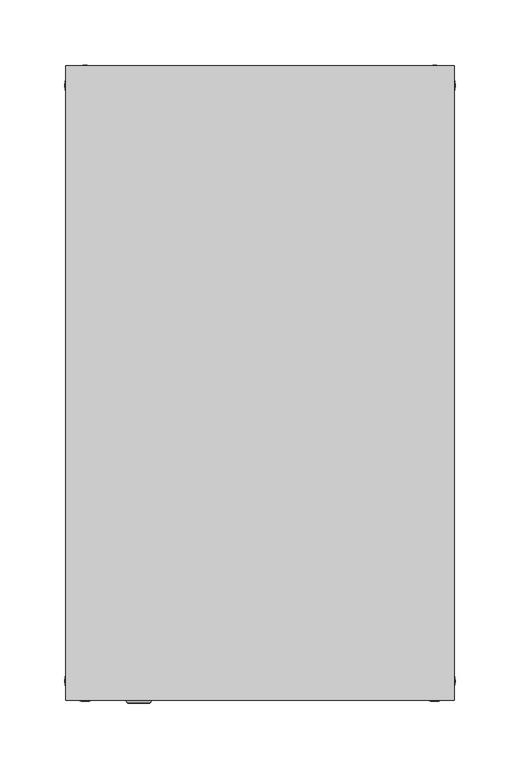
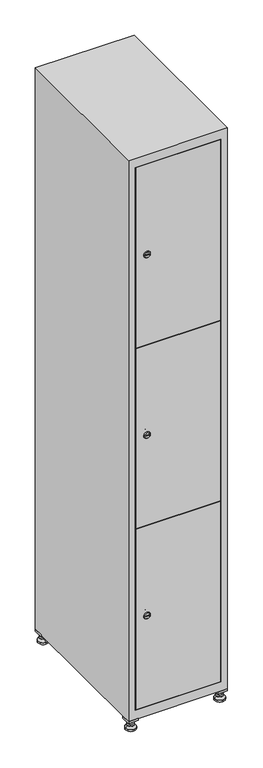
"""IFC4 building model written with IfcOpenShell, lengths in millimetres: furniture geometry."""

from ifc_helpers import new_model, si_unit, point, frame, frame_2d, origin, origin_with_axes, place, context, project, spatial, polyline, circle_curve, trimmed, segment, composite_curve, outline, extrude, faceted_brep, source, transform, mapped, element, save
from ifc_brep_helpers import plane_surface, revolved_surface, advanced_brep


def furniture_459e65b7(model_context):
    return source(origin(), model_context, "Body", "SolidModel", [
        extrude(outline(polyline([(100.0, 245.0), (100.0, 215.0), (70.0, 215.0), (70.0, 245.0), (100.0, 245.0)]), holes=[polyline([(98.0, 243.0), (72.0, 243.0), (72.0, 217.0), (98.0, 217.0), (98.0, 243.0)])]), frame((0.0, 0.0, 28.5), z_axis=(0.0, 0.0, 1.0), x_axis=(1.0, 0.0, 0.0)), (0.0, 0.0, 1.0), 6.5),
        extrude(outline(polyline([(70.0, -245.0), (70.0, -215.0), (100.0, -215.0), (100.0, -245.0), (70.0, -245.0)]), holes=[polyline([(72.0, -243.0), (98.0, -243.0), (98.0, -217.0), (72.0, -217.0), (72.0, -243.0)])]), frame((0.0, 0.0, 28.5), z_axis=(0.0, 0.0, 1.0), x_axis=(1.0, 0.0, 0.0)), (0.0, 0.0, 1.0), 6.5),
        extrude(outline(polyline([(-170.0, 245.0), (-170.0, 215.0), (-200.0, 215.0), (-200.0, 245.0), (-170.0, 245.0)]), holes=[polyline([(-172.0, 243.0), (-198.0, 243.0), (-198.0, 217.0), (-172.0, 217.0), (-172.0, 243.0)])]), frame((0.0, 0.0, 28.5), z_axis=(0.0, 0.0, 1.0), x_axis=(1.0, 0.0, 0.0)), (0.0, 0.0, 1.0), 6.5),
        extrude(outline(polyline([(-170.0, -215.0), (-170.0, -245.0), (-200.0, -245.0), (-200.0, -215.0), (-170.0, -215.0)]), holes=[polyline([(-198.0, -243.0), (-172.0, -243.0), (-172.0, -217.0), (-198.0, -217.0), (-198.0, -243.0)])]), frame((0.0, 0.0, 28.5), z_axis=(0.0, 0.0, 1.0), x_axis=(1.0, 0.0, 0.0)), (0.0, 0.0, 1.0), 6.5),
        extrude(outline(composite_curve([segment(trimmed(circle_curve(frame_2d((-185.0, 230.0)), 5.0), [point((-180.0, 230.0))], [point((-190.0, 230.0))], False, "CARTESIAN"), True, "CONTINUOUS"), segment(trimmed(circle_curve(frame_2d((-185.0, 230.0)), 5.0), [point((-190.0, 230.0))], [point((-180.0, 230.0))], False, "CARTESIAN"), True, "CONTINUOUS")], self_intersect=False)), frame((0.0, 0.0, 19.6), z_axis=(0.0, 0.0, 1.0), x_axis=(1.0, 0.0, 0.0)), (0.0, 0.0, 1.0), 15.4),
        extrude(outline(composite_curve([segment(trimmed(circle_curve(frame_2d((-185.0, -230.0)), 5.0), [point((-180.0, -230.0))], [point((-190.0, -230.0))], False, "CARTESIAN"), True, "CONTINUOUS"), segment(trimmed(circle_curve(frame_2d((-185.0, -230.0)), 5.0), [point((-190.0, -230.0))], [point((-180.0, -230.0))], False, "CARTESIAN"), True, "CONTINUOUS")], self_intersect=False)), frame((0.0, 0.0, 19.6), z_axis=(0.0, 0.0, 1.0), x_axis=(1.0, 0.0, 0.0)), (0.0, 0.0, 1.0), 15.4),
        extrude(outline(composite_curve([segment(trimmed(circle_curve(frame_2d((85.0, 230.0)), 5.0), [point((90.0, 230.0))], [point((80.0, 230.0))], False, "CARTESIAN"), True, "CONTINUOUS"), segment(trimmed(circle_curve(frame_2d((85.0, 230.0)), 5.0), [point((80.0, 230.0))], [point((90.0, 230.0))], False, "CARTESIAN"), True, "CONTINUOUS")], self_intersect=False)), frame((0.0, 0.0, 19.6), z_axis=(0.0, 0.0, 1.0), x_axis=(1.0, 0.0, 0.0)), (0.0, 0.0, 1.0), 15.4),
        extrude(outline(polyline([(73.4529946, 230.0), (79.2264973, 240.0), (90.7735027, 240.0), (96.5470054, 230.0), (90.7735027, 220.0), (79.2264973, 220.0), (73.4529946, 230.0)])), frame((0.0, 0.0, 13.6), z_axis=(0.0, 0.0, 1.0), x_axis=(1.0, 0.0, 0.0)), (0.0, 0.0, 1.0), 6.0),
        extrude(outline(composite_curve([segment(trimmed(circle_curve(frame_2d((85.0, -230.0)), 5.0), [point((90.0, -230.0))], [point((80.0, -230.0))], False, "CARTESIAN"), True, "CONTINUOUS"), segment(trimmed(circle_curve(frame_2d((85.0, -230.0)), 5.0), [point((80.0, -230.0))], [point((90.0, -230.0))], False, "CARTESIAN"), True, "CONTINUOUS")], self_intersect=False)), frame((0.0, 0.0, 19.6), z_axis=(0.0, 0.0, 1.0), x_axis=(1.0, 0.0, 0.0)), (0.0, 0.0, 1.0), 15.4),
        extrude(outline(polyline([(73.4529946, -230.0), (79.2264973, -220.0), (90.7735027, -220.0), (96.5470054, -230.0), (90.7735027, -240.0), (79.2264973, -240.0), (73.4529946, -230.0)])), frame((0.0, 0.0, 13.6), z_axis=(0.0, 0.0, 1.0), x_axis=(1.0, 0.0, 0.0)), (0.0, 0.0, 1.0), 6.0),
        extrude(outline(composite_curve([segment(trimmed(circle_curve(frame_2d((85.0, 230.0)), 5.0), [point((90.0, 230.0))], [point((80.0, 230.0))], False, "CARTESIAN"), True, "CONTINUOUS"), segment(trimmed(circle_curve(frame_2d((85.0, 230.0)), 5.0), [point((80.0, 230.0))], [point((90.0, 230.0))], False, "CARTESIAN"), True, "CONTINUOUS")], self_intersect=False)), frame((0.0, 0.0, 12.1), z_axis=(0.0, 0.0, 1.0), x_axis=(1.0, 0.0, 0.0)), (0.0, 0.0, 1.0), 1.5),
        extrude(outline(composite_curve([segment(trimmed(circle_curve(frame_2d((85.0, -230.0)), 5.0), [point((90.0, -230.0))], [point((80.0, -230.0))], False, "CARTESIAN"), True, "CONTINUOUS"), segment(trimmed(circle_curve(frame_2d((85.0, -230.0)), 5.0), [point((80.0, -230.0))], [point((90.0, -230.0))], False, "CARTESIAN"), True, "CONTINUOUS")], self_intersect=False)), frame((0.0, 0.0, 12.1), z_axis=(0.0, 0.0, 1.0), x_axis=(1.0, 0.0, 0.0)), (0.0, 0.0, 1.0), 1.5),
        extrude(outline(polyline([(-196.5470054, 230.0), (-190.7735027, 240.0), (-179.2264973, 240.0), (-173.4529946, 230.0), (-179.2264973, 220.0), (-190.7735027, 220.0), (-196.5470054, 230.0)])), frame((0.0, 0.0, 13.6), z_axis=(0.0, 0.0, 1.0), x_axis=(1.0, 0.0, 0.0)), (0.0, 0.0, 1.0), 6.0),
        extrude(outline(polyline([(-196.5470054, -230.0), (-190.7735027, -220.0), (-179.2264973, -220.0), (-173.4529946, -230.0), (-179.2264973, -240.0), (-190.7735027, -240.0), (-196.5470054, -230.0)])), frame((0.0, 0.0, 13.6), z_axis=(0.0, 0.0, 1.0), x_axis=(1.0, 0.0, 0.0)), (0.0, 0.0, 1.0), 6.0),
        extrude(outline(composite_curve([segment(trimmed(circle_curve(frame_2d((-185.0, 230.0)), 5.0), [point((-185.0, 235.0))], [point((-185.0, 225.0))], False, "CARTESIAN"), True, "CONTINUOUS"), segment(trimmed(circle_curve(frame_2d((-185.0, 230.0)), 5.0), [point((-185.0, 225.0))], [point((-185.0, 235.0))], False, "CARTESIAN"), True, "CONTINUOUS")], self_intersect=False)), frame((0.0, 0.0, 12.1), z_axis=(0.0, 0.0, 1.0), x_axis=(1.0, 0.0, 0.0)), (0.0, 0.0, 1.0), 1.5),
        extrude(outline(composite_curve([segment(trimmed(circle_curve(frame_2d((-185.0, -230.0)), 5.0), [point((-180.0, -230.0))], [point((-190.0, -230.0))], False, "CARTESIAN"), True, "CONTINUOUS"), segment(trimmed(circle_curve(frame_2d((-185.0, -230.0)), 5.0), [point((-190.0, -230.0))], [point((-180.0, -230.0))], False, "CARTESIAN"), True, "CONTINUOUS")], self_intersect=False)), frame((0.0, 0.0, 12.1), z_axis=(0.0, 0.0, 1.0), x_axis=(1.0, 0.0, 0.0)), (0.0, 0.0, 1.0), 1.5),
        extrude(outline(composite_curve([segment(trimmed(circle_curve(frame_2d((85.0, 230.0)), 15.75), [point((100.75, 230.0))], [point((69.25, 230.0))], False, "CARTESIAN"), True, "CONTINUOUS"), segment(trimmed(circle_curve(frame_2d((85.0, 230.0)), 15.75), [point((69.25, 230.0))], [point((100.75, 230.0))], False, "CARTESIAN"), True, "CONTINUOUS")], self_intersect=False)), origin_with_axes(), (0.0, 0.0, 1.0), 5.1),
        extrude(outline(composite_curve([segment(trimmed(circle_curve(frame_2d((85.0, -230.0)), 15.75), [point((85.0, -214.25))], [point((85.0, -245.75))], False, "CARTESIAN"), True, "CONTINUOUS"), segment(trimmed(circle_curve(frame_2d((85.0, -230.0)), 15.75), [point((85.0, -245.75))], [point((85.0, -214.25))], False, "CARTESIAN"), True, "CONTINUOUS")], self_intersect=False)), origin_with_axes(), (0.0, 0.0, 1.0), 5.1),
        extrude(outline(composite_curve([segment(trimmed(circle_curve(frame_2d((-185.0, -230.0)), 15.75), [point((-169.25, -230.0))], [point((-200.75, -230.0))], False, "CARTESIAN"), True, "CONTINUOUS"), segment(trimmed(circle_curve(frame_2d((-185.0, -230.0)), 15.75), [point((-200.75, -230.0))], [point((-169.25, -230.0))], False, "CARTESIAN"), True, "CONTINUOUS")], self_intersect=False)), origin_with_axes(), (0.0, 0.0, 1.0), 5.1),
        extrude(outline(composite_curve([segment(trimmed(circle_curve(frame_2d((-185.0, 230.0)), 15.75), [point((-169.25, 230.0))], [point((-200.75, 230.0))], False, "CARTESIAN"), True, "CONTINUOUS"), segment(trimmed(circle_curve(frame_2d((-185.0, 230.0)), 15.75), [point((-200.75, 230.0))], [point((-169.25, 230.0))], False, "CARTESIAN"), True, "CONTINUOUS")], self_intersect=False)), origin_with_axes(), (0.0, 0.0, 1.0), 5.1),
        advanced_brep(
        [(-185.0, 245.75, 5.1), (-185.0, 214.25, 5.1), (-185.0, 239.5, 12.1), (-185.0, 220.5, 12.1)],
        [
            (0, 1, circle_curve(frame((-185.0, 230.0, 5.1), z_axis=(0.0, 0.0, -1.0), x_axis=(0.0, 1.0, 0.0)), 15.75)),
            (1, 0, circle_curve(frame((-185.0, 230.0, 5.1), z_axis=(0.0, 0.0, -1.0), x_axis=(0.0, -1.0, 0.0)), 15.75)),
            (2, 3, circle_curve(frame((-185.0, 230.0, 12.1), z_axis=(0.0, 0.0, 1.0), x_axis=(0.0, -1.0, 0.0)), 9.5)),
            (3, 2, circle_curve(frame((-185.0, 230.0, 12.1), z_axis=(0.0, 0.0, 1.0), x_axis=(0.0, 1.0, 0.0)), 9.5)),
            (3, 1),
            (0, 2),
        ],
        [
            plane_surface(frame((-185.0, 230.0, 5.1), z_axis=(0.0, 0.0, -1.0), x_axis=(1.0, 0.0, 0.0))),
            plane_surface(frame((-185.0, 230.0, 12.1), z_axis=(0.0, 0.0, 1.0), x_axis=(1.0, 0.0, 0.0))),
            revolved_surface(polyline([(-185.0, 220.5, 12.099999999999998), (-185.0, 214.25, 5.099999999999998)]), (-185.0, 230.0, 22.74), (0.0, 0.0, -1.0)),
            revolved_surface(polyline([(-185.0, 239.5, 12.099999999999998), (-185.0, 245.75, 5.099999999999998)]), (-185.0, 230.0, 22.74), (0.0, 0.0, -1.0)),
        ],
        [
            (0, [[1, 2]]),
            (1, [[3, 4]]),
            (2, [[-4, 5, -1, 6]]),
            (3, [[-3, -6, -2, -5]]),
        ],
    ),
        advanced_brep(
        [(85.0, 245.75, 5.1), (85.0, 214.25, 5.1), (85.0, 239.5, 12.1), (85.0, 220.5, 12.1)],
        [
            (0, 1, circle_curve(frame((85.0, 230.0, 5.1), z_axis=(0.0, 0.0, -1.0), x_axis=(0.0, 1.0, 0.0)), 15.75)),
            (1, 0, circle_curve(frame((85.0, 230.0, 5.1), z_axis=(0.0, 0.0, -1.0), x_axis=(0.0, -1.0, 0.0)), 15.75)),
            (2, 3, circle_curve(frame((85.0, 230.0, 12.1), z_axis=(0.0, 0.0, 1.0), x_axis=(0.0, -1.0, 0.0)), 9.5)),
            (3, 2, circle_curve(frame((85.0, 230.0, 12.1), z_axis=(0.0, 0.0, 1.0), x_axis=(0.0, 1.0, 0.0)), 9.5)),
            (3, 1),
            (0, 2),
        ],
        [
            plane_surface(frame((85.0, 230.0, 5.1), z_axis=(0.0, 0.0, -1.0), x_axis=(1.0, 0.0, 0.0))),
            plane_surface(frame((85.0, 230.0, 12.1), z_axis=(0.0, 0.0, 1.0), x_axis=(1.0, 0.0, 0.0))),
            revolved_surface(polyline([(85.0, 220.5, 12.099999999999998), (85.0, 214.25, 5.099999999999998)]), (85.0, 230.0, 22.74), (0.0, 0.0, -1.0)),
            revolved_surface(polyline([(85.0, 239.5, 12.099999999999998), (85.0, 245.75, 5.099999999999998)]), (85.0, 230.0, 22.74), (0.0, 0.0, -1.0)),
        ],
        [
            (0, [[1, 2]]),
            (1, [[3, 4]]),
            (2, [[-4, 5, -1, 6]]),
            (3, [[-3, -6, -2, -5]]),
        ],
    ),
        advanced_brep(
        [(94.5, -230.0, 12.1), (75.5, -230.0, 12.1), (100.75, -230.0, 5.1), (69.25, -230.0, 5.1)],
        [
            (0, 1, circle_curve(frame((85.0, -230.0, 12.1), z_axis=(0.0, 0.0, 1.0), x_axis=(1.0, 0.0, 0.0)), 9.5)),
            (1, 0, circle_curve(frame((85.0, -230.0, 12.1), z_axis=(0.0, 0.0, 1.0), x_axis=(-1.0, 0.0, 0.0)), 9.5)),
            (2, 3, circle_curve(frame((85.0, -230.0, 5.1), z_axis=(0.0, 0.0, -1.0), x_axis=(-1.0, 0.0, 0.0)), 15.75)),
            (3, 2, circle_curve(frame((85.0, -230.0, 5.1), z_axis=(0.0, 0.0, -1.0), x_axis=(1.0, 0.0, 0.0)), 15.75)),
            (3, 1),
            (0, 2),
        ],
        [
            plane_surface(frame((85.0, -230.0, 12.1), z_axis=(0.0, 0.0, 1.0), x_axis=(0.0, 1.0, 0.0))),
            plane_surface(frame((85.0, -230.0, 5.1), z_axis=(0.0, 0.0, -1.0), x_axis=(0.0, 1.0, 0.0))),
            revolved_surface(polyline([(94.5, -230.0, 12.099999999999998), (100.75, -230.0, 5.099999999999998)]), (85.0, -230.0, 22.74), (0.0, 0.0, -1.0)),
            revolved_surface(polyline([(75.5, -230.0, 12.099999999999998), (69.25, -230.0, 5.099999999999998)]), (85.0, -230.0, 22.74), (0.0, 0.0, -1.0)),
        ],
        [
            (0, [[1, 2]]),
            (1, [[3, 4]]),
            (2, [[-4, 5, -1, 6]]),
            (3, [[-3, -6, -2, -5]]),
        ],
    ),
        advanced_brep(
        [(-175.5, -230.0, 12.1), (-194.5, -230.0, 12.1), (-169.25, -230.0, 5.1), (-200.75, -230.0, 5.1)],
        [
            (0, 1, circle_curve(frame((-185.0, -230.0, 12.1), z_axis=(0.0, 0.0, 1.0), x_axis=(1.0, 0.0, 0.0)), 9.5)),
            (1, 0, circle_curve(frame((-185.0, -230.0, 12.1), z_axis=(0.0, 0.0, 1.0), x_axis=(-1.0, 0.0, 0.0)), 9.5)),
            (2, 3, circle_curve(frame((-185.0, -230.0, 5.1), z_axis=(0.0, 0.0, -1.0), x_axis=(-1.0, 0.0, 0.0)), 15.75)),
            (3, 2, circle_curve(frame((-185.0, -230.0, 5.1), z_axis=(0.0, 0.0, -1.0), x_axis=(1.0, 0.0, 0.0)), 15.75)),
            (3, 1),
            (0, 2),
        ],
        [
            plane_surface(frame((-185.0, -230.0, 12.1), z_axis=(0.0, 0.0, 1.0), x_axis=(0.0, 1.0, 0.0))),
            plane_surface(frame((-185.0, -230.0, 5.1), z_axis=(0.0, 0.0, -1.0), x_axis=(0.0, 1.0, 0.0))),
            revolved_surface(polyline([(-175.5, -230.0, 12.099999999999998), (-169.25, -230.0, 5.099999999999998)]), (-185.0, -230.0, 22.74), (0.0, 0.0, -1.0)),
            revolved_surface(polyline([(-194.5, -230.0, 12.099999999999998), (-200.75, -230.0, 5.099999999999998)]), (-185.0, -230.0, 22.74), (0.0, 0.0, -1.0)),
        ],
        [
            (0, [[1, 2]]),
            (1, [[3, 4]]),
            (2, [[-4, 5, -1, 6]]),
            (3, [[-3, -6, -2, -5]]),
        ],
    ),
        extrude(outline(composite_curve([segment(trimmed(circle_curve(frame_2d((355.8, -170.3989466)), 7.0), [point((362.8, -170.3989466))], [point((348.8, -170.3989466))], False, "CARTESIAN"), True, "CONTINUOUS"), segment(polyline([(348.8, -170.3989466), (348.8, -142.3989466)]), True, "CONTINUOUS"), segment(trimmed(circle_curve(frame_2d((355.8, -142.3989466)), 7.0), [point((348.8, -142.3989466))], [point((362.8, -142.3989466))], False, "CARTESIAN"), True, "CONTINUOUS"), segment(polyline([(362.8, -142.3989466), (362.8, -170.3989466)]), True, "CONTINUOUS")], self_intersect=False)), frame((0.0, -227.0, 0.0), z_axis=(0.0, 1.0, 0.0), x_axis=(0.0, 0.0, 1.0)), (0.0, 0.0, 1.0), 2.0),
        advanced_brep(
        [(-135.1, -247.2, 355.8), (-152.1, -247.2, 355.8), (-148.6, -247.2, 354.55), (-148.6, -247.2, 357.05), (-138.6, -247.2, 357.05), (-138.6, -247.2, 354.55), (-133.1, -245.0, 355.8), (-154.1, -245.0, 355.8), (-148.6, -245.0, 357.05), (-148.6, -245.0, 354.55), (-138.6, -245.0, 354.55), (-138.6, -245.0, 357.05)],
        [
            (0, 1, circle_curve(frame((-143.6, -247.2, 355.8), z_axis=(0.0, -1.0, 0.0), x_axis=(1.0, 0.0, 0.0)), 8.5)),
            (1, 0, circle_curve(frame((-143.6, -247.2, 355.8), z_axis=(0.0, -1.0, 0.0), x_axis=(-1.0, 0.0, 0.0)), 8.5)),
            (2, 3),
            (3, 4),
            (4, 5),
            (5, 2),
            (6, 7, circle_curve(frame((-143.6, -245.0, 355.8), z_axis=(0.0, 1.0, 0.0), x_axis=(-1.0, 0.0, 0.0)), 10.5)),
            (7, 6, circle_curve(frame((-143.6, -245.0, 355.8), z_axis=(0.0, 1.0, 0.0), x_axis=(1.0, 0.0, 0.0)), 10.5)),
            (8, 9),
            (9, 10),
            (10, 11),
            (11, 8),
            (0, 6),
            (7, 1),
            (8, 3),
            (2, 9),
            (11, 4),
            (10, 5),
        ],
        [
            plane_surface(frame((-143.6, -247.2, 355.8), z_axis=(0.0, -1.0, 0.0), x_axis=(0.0, 0.0, 1.0))),
            plane_surface(frame((-143.6, -245.0, 355.8), z_axis=(0.0, 1.0, 0.0), x_axis=(0.0, 0.0, 1.0))),
            revolved_surface(polyline([(-135.1, -247.2, 355.8), (-133.1, -245.0, 355.8)]), (-143.6, -256.55, 355.8), (0.0, 1.0, 0.0)),
            revolved_surface(polyline([(-152.1, -247.2, 355.8), (-154.1, -245.0, 355.8)]), (-143.6, -256.55, 355.8), (0.0, 1.0, 0.0)),
            plane_surface(frame((-148.6, -245.0, 354.55), z_axis=(1.0, 0.0, 0.0), x_axis=(0.0, -1.0, 0.0))),
            plane_surface(frame((-148.6, -245.0, 357.05), z_axis=(0.0, 0.0, -1.0), x_axis=(0.0, -1.0, 0.0))),
            plane_surface(frame((-138.6, -245.0, 357.05), z_axis=(-1.0, 0.0, 0.0), x_axis=(0.0, -1.0, 0.0))),
            plane_surface(frame((-138.6, -245.0, 354.55), z_axis=(0.0, 0.0, 1.0), x_axis=(0.0, -1.0, 0.0))),
        ],
        [
            (0, [[1, 2], [3, 4, 5, 6]]),
            (1, [[7, 8], [9, 10, 11, 12]]),
            (2, [[-1, 13, -8, 14]]),
            (3, [[-2, -14, -7, -13]]),
            (4, [[15, -3, 16, -9]]),
            (5, [[-15, -12, 17, -4]]),
            (6, [[-17, -11, 18, -5]]),
            (7, [[-16, -6, -18, -10]]),
        ],
    ),
        extrude(outline(composite_curve([segment(trimmed(circle_curve(frame_2d((935.0, -170.3989466)), 7.0), [point((942.0, -170.3989466))], [point((928.0, -170.3989466))], False, "CARTESIAN"), True, "CONTINUOUS"), segment(polyline([(928.0, -170.3989466), (928.0, -142.3989466)]), True, "CONTINUOUS"), segment(trimmed(circle_curve(frame_2d((935.0, -142.3989466)), 7.0), [point((928.0, -142.3989466))], [point((942.0, -142.3989466))], False, "CARTESIAN"), True, "CONTINUOUS"), segment(polyline([(942.0, -142.3989466), (942.0, -170.3989466)]), True, "CONTINUOUS")], self_intersect=False)), frame((0.0, -227.0, 0.0), z_axis=(0.0, 1.0, 0.0), x_axis=(0.0, 0.0, 1.0)), (0.0, 0.0, 1.0), 2.0),
        advanced_brep(
        [(-135.1, -247.2, 935.0), (-152.1, -247.2, 935.0), (-148.6, -247.2, 933.75), (-148.6, -247.2, 936.25), (-138.6, -247.2, 936.25), (-138.6, -247.2, 933.75), (-133.1, -245.0, 935.0), (-154.1, -245.0, 935.0), (-148.6, -245.0, 936.25), (-148.6, -245.0, 933.75), (-138.6, -245.0, 933.75), (-138.6, -245.0, 936.25)],
        [
            (0, 1, circle_curve(frame((-143.6, -247.2, 935.0), z_axis=(0.0, -1.0, 0.0), x_axis=(1.0, 0.0, 0.0)), 8.5)),
            (1, 0, circle_curve(frame((-143.6, -247.2, 935.0), z_axis=(0.0, -1.0, 0.0), x_axis=(-1.0, 0.0, 0.0)), 8.5)),
            (2, 3),
            (3, 4),
            (4, 5),
            (5, 2),
            (6, 7, circle_curve(frame((-143.6, -245.0, 935.0), z_axis=(0.0, 1.0, 0.0), x_axis=(-1.0, 0.0, 0.0)), 10.5)),
            (7, 6, circle_curve(frame((-143.6, -245.0, 935.0), z_axis=(0.0, 1.0, 0.0), x_axis=(1.0, 0.0, 0.0)), 10.5)),
            (8, 9),
            (9, 10),
            (10, 11),
            (11, 8),
            (0, 6),
            (7, 1),
            (8, 3),
            (2, 9),
            (11, 4),
            (10, 5),
        ],
        [
            plane_surface(frame((-143.6, -247.2, 935.0), z_axis=(0.0, -1.0, 0.0), x_axis=(0.0, 0.0, 1.0))),
            plane_surface(frame((-143.6, -245.0, 935.0), z_axis=(0.0, 1.0, 0.0), x_axis=(0.0, 0.0, 1.0))),
            revolved_surface(polyline([(-135.1, -247.2, 935.0), (-133.1, -245.0, 935.0)]), (-143.6, -256.55, 935.0), (0.0, 1.0, 0.0)),
            revolved_surface(polyline([(-152.1, -247.2, 935.0), (-154.1, -245.0, 935.0)]), (-143.6, -256.55, 935.0), (0.0, 1.0, 0.0)),
            plane_surface(frame((-148.6, -245.0, 933.75), z_axis=(1.0, 0.0, 0.0), x_axis=(0.0, -1.0, 0.0))),
            plane_surface(frame((-148.6, -245.0, 936.25), z_axis=(0.0, 0.0, -1.0), x_axis=(0.0, -1.0, 0.0))),
            plane_surface(frame((-138.6, -245.0, 936.25), z_axis=(-1.0, 0.0, 0.0), x_axis=(0.0, -1.0, 0.0))),
            plane_surface(frame((-138.6, -245.0, 933.75), z_axis=(0.0, 0.0, 1.0), x_axis=(0.0, -1.0, 0.0))),
        ],
        [
            (0, [[1, 2], [3, 4, 5, 6]]),
            (1, [[7, 8], [9, 10, 11, 12]]),
            (2, [[-1, 13, -8, 14]]),
            (3, [[-2, -14, -7, -13]]),
            (4, [[15, -3, 16, -9]]),
            (5, [[-15, -12, 17, -4]]),
            (6, [[-17, -11, 18, -5]]),
            (7, [[-16, -6, -18, -10]]),
        ],
    ),
        extrude(outline(composite_curve([segment(trimmed(circle_curve(frame_2d((1514.2, -170.3989466)), 7.0), [point((1521.2, -170.3989466))], [point((1507.2, -170.3989466))], False, "CARTESIAN"), True, "CONTINUOUS"), segment(polyline([(1507.2, -170.3989466), (1507.2, -142.3989466)]), True, "CONTINUOUS"), segment(trimmed(circle_curve(frame_2d((1514.2, -142.3989466)), 7.0), [point((1507.2, -142.3989466))], [point((1521.2, -142.3989466))], False, "CARTESIAN"), True, "CONTINUOUS"), segment(polyline([(1521.2, -142.3989466), (1521.2, -170.3989466)]), True, "CONTINUOUS")], self_intersect=False)), frame((0.0, -227.0, 0.0), z_axis=(0.0, 1.0, 0.0), x_axis=(0.0, 0.0, 1.0)), (0.0, 0.0, 1.0), 2.0),
        advanced_brep(
        [(-135.1, -247.2, 1514.2), (-152.1, -247.2, 1514.2), (-148.6, -247.2, 1512.95), (-148.6, -247.2, 1515.45), (-138.6, -247.2, 1515.45), (-138.6, -247.2, 1512.95), (-133.1, -245.0, 1514.2), (-154.1, -245.0, 1514.2), (-148.6, -245.0, 1515.45), (-148.6, -245.0, 1512.95), (-138.6, -245.0, 1512.95), (-138.6, -245.0, 1515.45)],
        [
            (0, 1, circle_curve(frame((-143.6, -247.2, 1514.2), z_axis=(0.0, -1.0, 0.0), x_axis=(1.0, 0.0, 0.0)), 8.5)),
            (1, 0, circle_curve(frame((-143.6, -247.2, 1514.2), z_axis=(0.0, -1.0, 0.0), x_axis=(-1.0, 0.0, 0.0)), 8.5)),
            (2, 3),
            (3, 4),
            (4, 5),
            (5, 2),
            (6, 7, circle_curve(frame((-143.6, -245.0, 1514.2), z_axis=(0.0, 1.0, 0.0), x_axis=(-1.0, 0.0, 0.0)), 10.5)),
            (7, 6, circle_curve(frame((-143.6, -245.0, 1514.2), z_axis=(0.0, 1.0, 0.0), x_axis=(1.0, 0.0, 0.0)), 10.5)),
            (8, 9),
            (9, 10),
            (10, 11),
            (11, 8),
            (0, 6),
            (7, 1),
            (8, 3),
            (2, 9),
            (11, 4),
            (10, 5),
        ],
        [
            plane_surface(frame((-143.6, -247.2, 1514.2), z_axis=(0.0, -1.0, 0.0), x_axis=(0.0, 0.0, 1.0))),
            plane_surface(frame((-143.6, -245.0, 1514.2), z_axis=(0.0, 1.0, 0.0), x_axis=(0.0, 0.0, 1.0))),
            revolved_surface(polyline([(-135.1, -247.2, 1514.2), (-133.1, -245.0, 1514.2)]), (-143.6, -256.55, 1514.2), (0.0, 1.0, 0.0)),
            revolved_surface(polyline([(-152.1, -247.2, 1514.2), (-154.1, -245.0, 1514.2)]), (-143.6, -256.55, 1514.2), (0.0, 1.0, 0.0)),
            plane_surface(frame((-148.6, -245.0, 1512.95), z_axis=(1.0, 0.0, 0.0), x_axis=(0.0, -1.0, 0.0))),
            plane_surface(frame((-148.6, -245.0, 1515.45), z_axis=(0.0, 0.0, -1.0), x_axis=(0.0, -1.0, 0.0))),
            plane_surface(frame((-138.6, -245.0, 1515.45), z_axis=(-1.0, 0.0, 0.0), x_axis=(0.0, -1.0, 0.0))),
            plane_surface(frame((-138.6, -245.0, 1512.95), z_axis=(0.0, 0.0, 1.0), x_axis=(0.0, -1.0, 0.0))),
        ],
        [
            (0, [[1, 2], [3, 4, 5, 6]]),
            (1, [[7, 8], [9, 10, 11, 12]]),
            (2, [[-1, 13, -8, 14]]),
            (3, [[-2, -14, -7, -13]]),
            (4, [[15, -3, 16, -9]]),
            (5, [[-15, -12, 17, -4]]),
            (6, [[-17, -11, 18, -5]]),
            (7, [[-16, -6, -18, -10]]),
        ],
    ),
        extrude(outline(polyline([(78.6, -227.0), (78.6, -245.0), (-178.6, -245.0), (-178.6, -227.0), (78.6, -227.0)])), frame((0.0, 0.0, 645.9), z_axis=(0.0, 0.0, 1.0), x_axis=(1.0, 0.0, 0.0)), (0.0, 0.0, 1.0), 578.2),
        extrude(outline(polyline([(-178.6, -245.0), (-178.6, -227.0), (78.6, -227.0), (78.6, -245.0), (-178.6, -245.0)])), frame((0.0, 0.0, 1225.1), z_axis=(0.0, 0.0, 1.0), x_axis=(1.0, 0.0, 0.0)), (0.0, 0.0, 1.0), 578.7),
        extrude(outline(polyline([(78.6, -227.0), (78.6, -245.0), (-178.6, -245.0), (-178.6, -227.0), (78.6, -227.0)])), frame((0.0, 0.0, 66.2), z_axis=(0.0, 0.0, 1.0), x_axis=(1.0, 0.0, 0.0)), (0.0, 0.0, 1.0), 578.7),
        extrude(outline(polyline([(79.6, 242.0), (79.6, -227.0), (-179.6, -227.0), (-179.6, 242.0), (79.6, 242.0)])), frame((0.0, 0.0, 1214.7333333), z_axis=(0.0, 0.0, 1.0), x_axis=(1.0, 0.0, 0.0)), (0.0, 0.0, 1.0), 20.4),
        extrude(outline(polyline([(-179.6, 242.0), (79.6, 242.0), (79.6, -227.0), (-179.6, -227.0), (-179.6, 242.0)])), frame((0.0, 0.0, 634.8666667), z_axis=(0.0, 0.0, 1.0), x_axis=(1.0, 0.0, 0.0)), (0.0, 0.0, 1.0), 20.4),
        faceted_brep([(100.0, -245.0, 35.0), (100.0, -245.0, 1835.0), (-200.0, -245.0, 1835.0), (-200.0, -245.0, 35.0), (79.6, -245.0, 1804.8), (79.6, -245.0, 65.2), (-179.6, -245.0, 65.2), (-179.6, -245.0, 1804.8), (100.0, 245.0, 35.0), (-200.0, 245.0, 35.0), (100.0, 245.0, 1835.0), (-200.0, 245.0, 1835.0), (79.6, 242.0, 1804.8), (79.6, 242.0, 65.2), (-200.0, 245.0, 1804.8), (-179.6, 242.0, 1804.8), (-179.6, 242.0, 65.2)], [[[0, 1, 2, 3], [4, 5, 6, 7]], [[8, 0, 3, 9]], [[1, 0, 8, 10]], [[1, 10, 11, 2]], [[4, 12, 13, 5]], [[9, 3, 2, 11, 14]], [[10, 8, 9, 14, 11]], [[12, 15, 16, 13]], [[15, 7, 6, 16]], [[4, 7, 15, 12]], [[6, 5, 13, 16]]]),
    ])


if __name__ == "__main__":
    model = new_model("IFC4")
    model_context = context("Model", 3, world=origin())
    ifc_project = project(units=[si_unit("LENGTHUNIT", "METRE", prefix="MILLI")], contexts=[model_context])
    site = spatial("IfcSite", under=ifc_project)
    building = spatial("IfcBuilding", under=site)
    placement = place(None, origin())
    furniture_shape = furniture_459e65b7(model_context)
    element("IfcFurniture", 1, at=placement, inside=building, context=model_context, shape_type="MappedRepresentation", body=[
        mapped(furniture_shape, transform((0.0, 0.0, 0.0), x_axis=(1.0, 0.0, 0.0), y_axis=(0.0, 1.0, 0.0), z_axis=(0.0, 0.0, 1.0))),
    ])
    save(model, "model.ifc")
